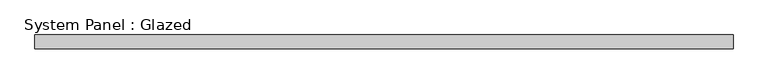
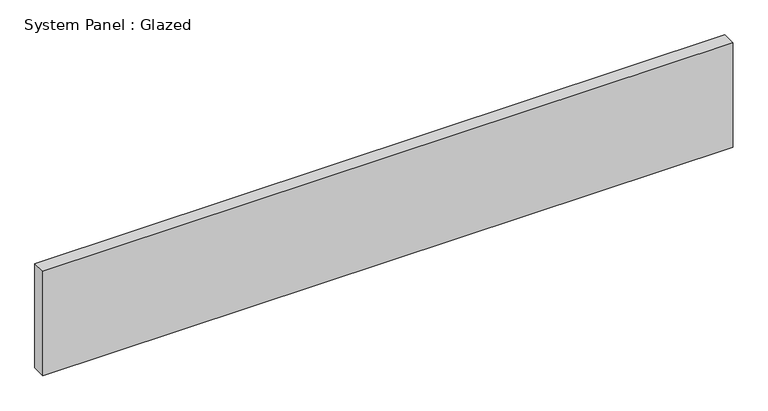
"""IFC4 building model written with IfcOpenShell, lengths in millimetres: plate geometry, System Panel : Glazed."""

from ifc_helpers import new_model, si_unit, origin, origin_with_axes, place, context, project, spatial, polyline, outline, extrude, source, transform, mapped, element, save


def system_panel_glazed_8c5eddfa(model_context):
    return source(origin(), model_context, "Body", "SweptSolid", [
        extrude(outline(polyline([(645.7083333, -44.45), (-645.7083333, -44.45), (-645.7083333, -19.05), (645.7083333, -19.05), (645.7083333, -44.45)])), origin_with_axes(), (0.0, 0.0, 1.0), 206.35),
    ])


if __name__ == "__main__":
    model = new_model("IFC4")
    model_context = context("Model", 3, world=origin())
    ifc_project = project(units=[si_unit("LENGTHUNIT", "METRE", prefix="MILLI")], contexts=[model_context])
    site = spatial("IfcSite", under=ifc_project)
    building = spatial("IfcBuilding", under=site)
    placement = place(None, origin())
    system_panel_glazed_shape = system_panel_glazed_8c5eddfa(model_context)
    element("IfcPlate", 1, ObjectType="System Panel : Glazed", at=placement, inside=building, context=model_context, shape_type="MappedRepresentation", body=[
        mapped(system_panel_glazed_shape, transform((0.0, 0.0, 0.0), x_axis=(1.0, 0.0, 0.0), y_axis=(0.0, 1.0, 0.0), z_axis=(0.0, 0.0, 1.0))),
    ])
    save(model, "model.ifc")
